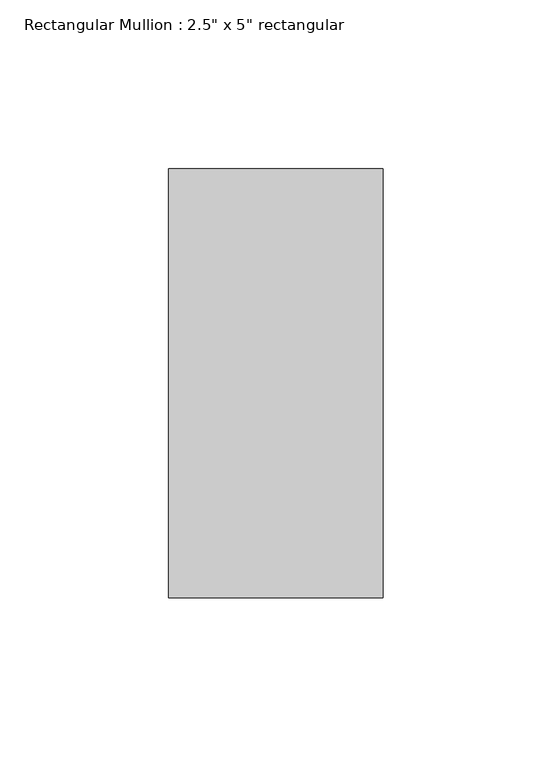
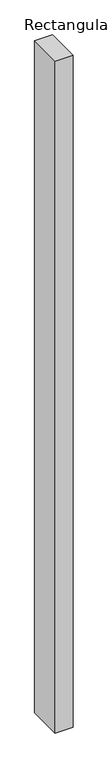
"""IFC4 building model written with IfcOpenShell, lengths in millimetres: member geometry."""

from ifc_helpers import new_model, si_unit, frame, origin, place, context, project, spatial, polyline, outline, extrude, source, transform, mapped, element, save


def member_d2c61501(model_context):
    return source(origin(), model_context, "Body", "SweptSolid", [
        extrude(outline(polyline([(0.0, 63.5), (0.0, -63.5), (-63.5, -63.5), (-63.5, 63.5), (0.0, 63.5)])), frame((0.0, 0.0, -2538.1029293), z_axis=(0.0, 0.0, 1.0), x_axis=(1.0, 0.0, 0.0)), (0.0, 0.0, 1.0), 2538.1029293),
    ])


if __name__ == "__main__":
    model = new_model("IFC4")
    model_context = context("Model", 3, world=origin())
    ifc_project = project(units=[si_unit("LENGTHUNIT", "METRE", prefix="MILLI")], contexts=[model_context])
    site = spatial("IfcSite", under=ifc_project)
    building = spatial("IfcBuilding", under=site)
    placement = place(None, origin())
    member_shape = member_d2c61501(model_context)
    element("IfcMember", 1, ObjectType="Rectangular Mullion : 2.5\" x 5\" rectangular", at=placement, inside=building, context=model_context, shape_type="MappedRepresentation", body=[
        mapped(member_shape, transform((0.0, 0.0, 0.0), x_axis=(1.0, 0.0, 0.0), y_axis=(0.0, 1.0, 0.0), z_axis=(0.0, 0.0, 1.0))),
    ])
    save(model, "model.ifc")
